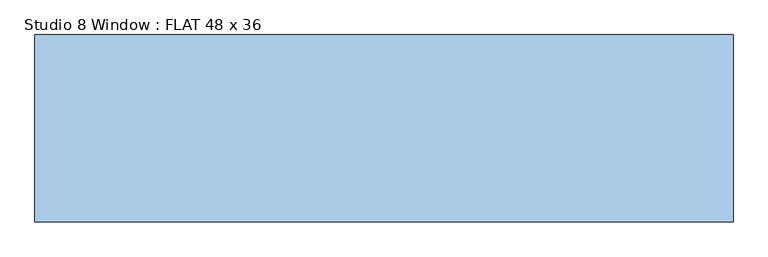
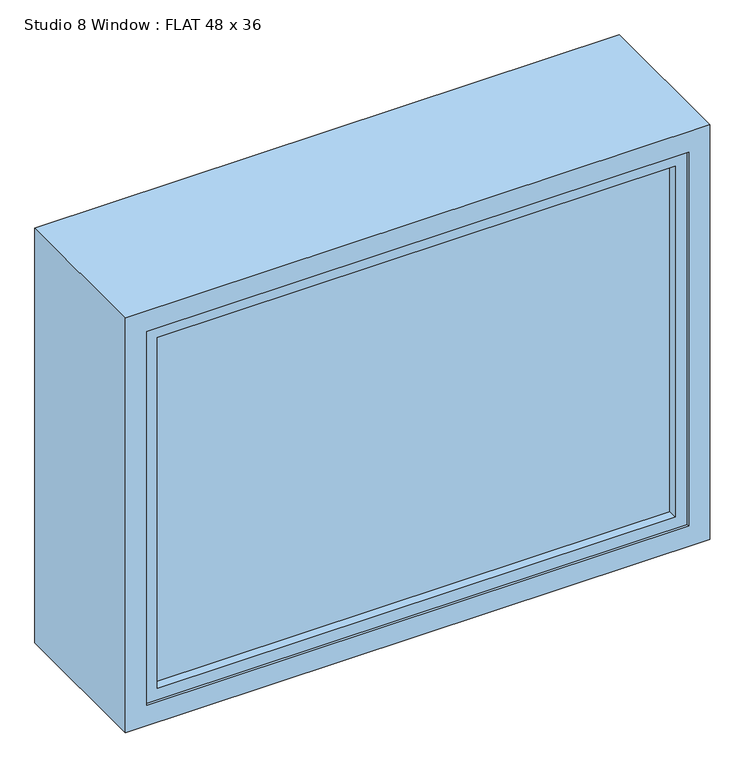
"""IFC4 building model written with IfcOpenShell, lengths in millimetres: window geometry, Studio 8 Window : FLAT 48 x 36."""

from ifc_helpers import new_model, si_unit, frame, origin, place, context, project, spatial, polyline, outline, extrude, faceted_brep, source, transform, mapped, element, save


def studio_8_window_flat_48_x_36_5c8d6d9f(model_context):
    return source(origin(), model_context, "Body", "SolidModel", [
        extrude(outline(polyline([(552.45, -76.1419262), (-552.45, -76.1419262), (-552.45, -66.4895469), (552.45, -66.4895469), (552.45, -76.1419262)])), frame((0.0, 0.0, 857.15), z_axis=(0.0, 0.0, 1.0), x_axis=(1.0, 0.0, 0.0)), (0.0, 0.0, 1.0), 800.1),
        extrude(outline(polyline([(552.45, 189.0444969), (-552.45, 189.0444969), (-552.45, 212.9214354), (552.45, 212.9214354), (552.45, 189.0444969)])), frame((0.0, 0.0, 857.15), z_axis=(0.0, 0.0, 1.0), x_axis=(1.0, 0.0, 0.0)), (0.0, 0.0, 1.0), 800.1),
        faceted_brep([(-609.6, 225.425, 1714.4), (-609.6, 225.425, 800.0), (-609.6, -101.6, 800.0), (-609.6, -101.6, 1714.4), (-565.1841948, -101.6, 1669.9841948), (-565.1841948, -101.6, 844.4158052), (-565.1841948, -96.208715, 844.4158052), (-565.1841948, -96.208715, 1669.9841948), (609.6, 225.425, 800.0), (609.6, -101.6, 800.0), (565.1841948, -101.6, 844.4158052), (565.1841948, -96.208715, 844.4158052), (609.6, 225.425, 1714.4), (609.6, -101.6, 1714.4), (565.1841948, -101.6, 1669.9841948), (565.1841948, -96.208715, 1669.9841948), (-565.1841948, 225.425, 1669.9841948), (-565.1841948, 225.425, 844.4158052), (565.1841948, 225.425, 844.4158052), (565.1841948, 225.425, 1669.9841948), (-565.1841948, 220.033715, 1669.9841948), (-565.1841948, 220.033715, 844.4158052), (-539.7831964, 180.9161775, 1644.5831964), (-539.7831964, 180.9161775, 869.8168036), (-539.7831964, 220.033715, 869.8168036), (-539.7831964, 220.033715, 1644.5831964), (-565.1841948, -57.0911775, 1669.9841948), (-565.1841948, -57.0911775, 844.4158052), (-565.1841948, 180.9161775, 844.4158052), (-565.1841948, 180.9161775, 1669.9841948), (-539.7831964, -96.208715, 1644.5831964), (-539.7831964, -96.208715, 869.8168036), (-539.7831964, -57.0911775, 869.8168036), (-539.7831964, -57.0911775, 1644.5831964), (565.1841948, 220.033715, 844.4158052), (539.7831964, 180.9161775, 869.8168036), (539.7831964, 220.033715, 869.8168036), (565.1841948, -57.0911775, 844.4158052), (565.1841948, 180.9161775, 844.4158052), (539.7831964, -96.208715, 869.8168036), (539.7831964, -57.0911775, 869.8168036), (565.1841948, 220.033715, 1669.9841948), (539.7831964, 180.9161775, 1644.5831964), (539.7831964, 220.033715, 1644.5831964), (565.1841948, -57.0911775, 1669.9841948), (565.1841948, 180.9161775, 1669.9841948), (539.7831964, -96.208715, 1644.5831964), (539.7831964, -57.0911775, 1644.5831964)], [[[0, 1, 2, 3]], [[4, 5, 6, 7]], [[1, 8, 9, 2]], [[5, 10, 11, 6]], [[8, 12, 13, 9]], [[10, 14, 15, 11]], [[12, 0, 3, 13]], [[1, 0, 12, 8], [16, 17, 18, 19]], [[14, 4, 7, 15]], [[3, 2, 9, 13], [5, 4, 14, 10]], [[20, 21, 17, 16]], [[22, 23, 24, 25]], [[26, 27, 28, 29]], [[30, 31, 32, 33]], [[21, 34, 18, 17]], [[23, 35, 36, 24]], [[27, 37, 38, 28]], [[31, 39, 40, 32]], [[34, 41, 19, 18]], [[35, 42, 43, 36]], [[37, 44, 45, 38]], [[39, 46, 47, 40]], [[41, 20, 16, 19]], [[21, 20, 41, 34], [25, 24, 36, 43]], [[42, 22, 25, 43]], [[29, 28, 38, 45], [23, 22, 42, 35]], [[44, 26, 29, 45]], [[27, 26, 44, 37], [33, 32, 40, 47]], [[46, 30, 33, 47]], [[7, 6, 11, 15], [31, 30, 46, 39]]]),
    ])


if __name__ == "__main__":
    model = new_model("IFC4")
    model_context = context("Model", 3, world=origin())
    ifc_project = project(units=[si_unit("LENGTHUNIT", "METRE", prefix="MILLI")], contexts=[model_context])
    site = spatial("IfcSite", under=ifc_project)
    building = spatial("IfcBuilding", under=site)
    placement = place(None, origin())
    studio_8_window_flat_48_x_36_shape = studio_8_window_flat_48_x_36_5c8d6d9f(model_context)
    element("IfcWindow", 1, ObjectType="Studio 8 Window : FLAT 48 x 36", at=placement, inside=building, context=model_context, shape_type="MappedRepresentation", body=[
        mapped(studio_8_window_flat_48_x_36_shape, transform((0.0, 0.0, 0.0), x_axis=(1.0, 0.0, 0.0), y_axis=(0.0, 1.0, 0.0), z_axis=(0.0, 0.0, 1.0))),
    ])
    save(model, "model.ifc")
